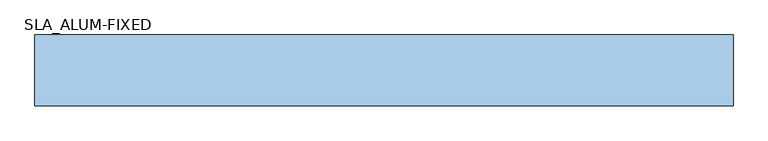
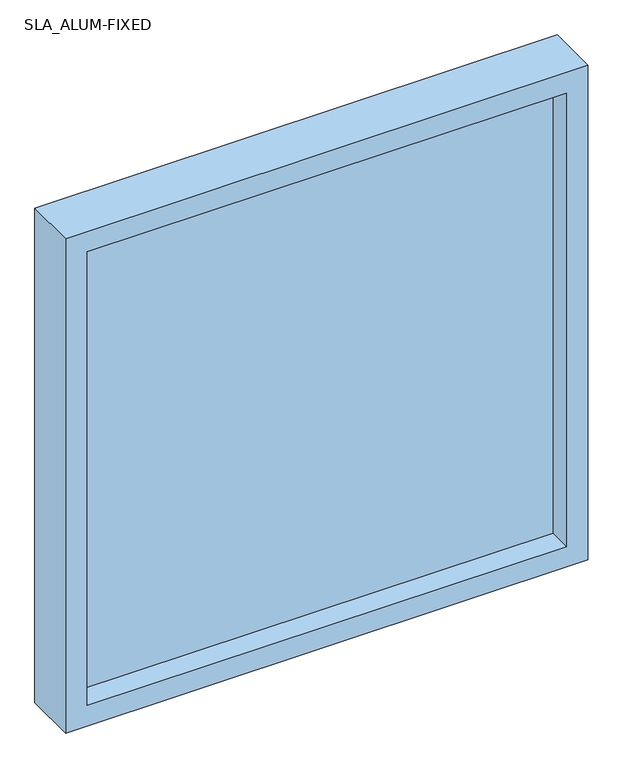
"""IFC4 building model written with IfcOpenShell, lengths in millimetres: window geometry, SLA_ALUM-FIXED."""

from ifc_helpers import new_model, si_unit, frame, origin, place, context, project, spatial, polyline, outline, extrude, source, transform, mapped, element, save


def sla_alum_fixed_e7c5c19b(model_context):
    return source(origin(), model_context, "Body", "SweptSolid", [
        extrude(outline(polyline([(-1320.8, 109.1075246), (-203.2, 109.1075246), (-203.2, 83.7075246), (-1320.8, 83.7075246), (-1320.8, 109.1075246)])), frame((0.0, 0.0, 965.2), z_axis=(0.0, 0.0, 1.0), x_axis=(1.0, 0.0, 0.0)), (0.0, 0.0, 1.0), 1117.6),
        extrude(outline(polyline([(2133.6, -1371.6), (914.4, -1371.6), (914.4, -152.4), (2133.6, -152.4), (2133.6, -1371.6)]), holes=[polyline([(2082.8, -203.2), (965.2, -203.2), (965.2, -1320.8), (2082.8, -1320.8), (2082.8, -203.2)])]), frame((0.0, 29.7325246, 0.0), z_axis=(0.0, 1.0, 0.0), x_axis=(0.0, 0.0, 1.0)), (0.0, 0.0, 1.0), 123.825),
    ])


if __name__ == "__main__":
    model = new_model("IFC4")
    model_context = context("Model", 3, world=origin())
    ifc_project = project(units=[si_unit("LENGTHUNIT", "METRE", prefix="MILLI")], contexts=[model_context])
    site = spatial("IfcSite", under=ifc_project)
    building = spatial("IfcBuilding", under=site)
    placement = place(None, origin())
    sla_alum_fixed_shape = sla_alum_fixed_e7c5c19b(model_context)
    element("IfcWindow", 1, ObjectType="SLA_ALUM-FIXED", at=placement, inside=building, context=model_context, shape_type="MappedRepresentation", body=[
        mapped(sla_alum_fixed_shape, transform((0.0, 0.0, 0.0), x_axis=(1.0, 0.0, 0.0), y_axis=(0.0, 1.0, 0.0), z_axis=(0.0, 0.0, 1.0))),
    ])
    save(model, "model.ifc")
